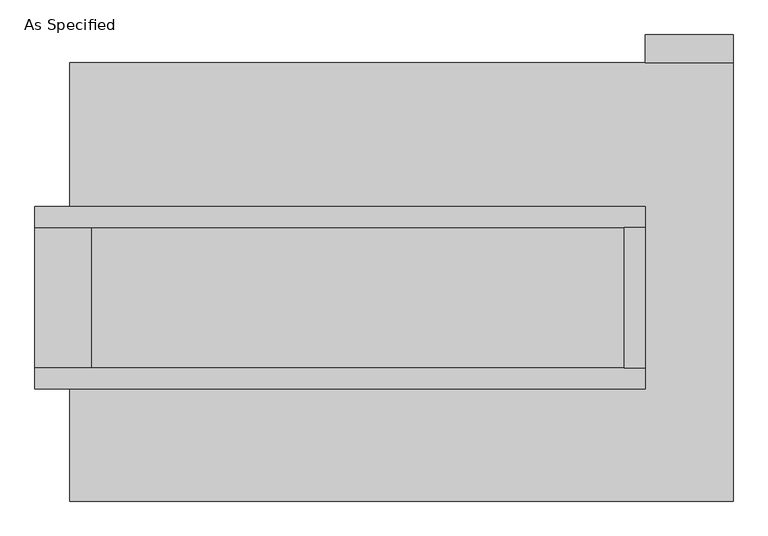
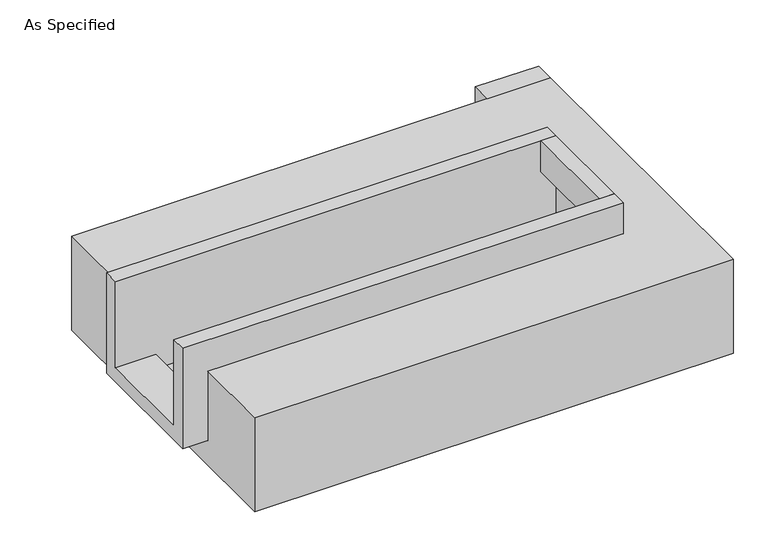
"""IFC4 building model written with IfcOpenShell, lengths in millimetres: proxy geometry, As Specified."""

from ifc_helpers import new_model, si_unit, frame, origin, place, context, project, spatial, polyline, outline, extrude, faceted_brep, source, transform, mapped, element, save


def as_specified_8753164b(model_context):
    return source(origin(), model_context, "Body", "SolidModel", [
        extrude(outline(polyline([(1276.35, 793.75), (958.85, 793.75), (958.85, 895.35), (1276.35, 895.35), (1276.35, 793.75)])), frame((0.0, 0.0, -523.9742188), z_axis=(0.0, 0.0, 1.0), x_axis=(1.0, 0.0, 0.0)), (0.0, 0.0, 1.0), 498.5742188),
        extrude(outline(polyline([(882.65, 196.85), (958.85, 196.85), (958.85, -311.15), (882.65, -311.15), (882.65, 196.85)])), frame((0.0, 0.0, -25.4), z_axis=(0.0, 0.0, 1.0), x_axis=(1.0, 0.0, 0.0)), (0.0, 0.0, 1.0), 165.1),
        faceted_brep([(958.85, 196.85, 139.7), (958.85, 196.85, -317.5), (958.85, -311.15, -317.5), (958.85, -311.15, 139.7), (958.85, -387.35, 139.7), (958.85, -387.35, -393.7), (958.85, 273.05, -393.7), (958.85, 273.05, 139.7), (-1250.95, 196.85, 139.7), (-1250.95, 273.05, 139.7), (-1250.95, 273.05, -393.7), (-1250.95, -387.35, -393.7), (-1250.95, -387.35, 139.7), (-1250.95, -311.15, 139.7), (-1250.95, -311.15, -317.5), (-1250.95, 196.85, -317.5), (-1047.75, 196.85, -393.7), (-1047.75, -311.15, -393.7), (882.65, -311.15, -393.7), (882.65, 196.85, -393.7), (882.65, -311.15, -317.5), (-1047.75, -311.15, -317.5), (882.65, 196.85, -317.5), (-1047.75, 196.85, -317.5)], [[[0, 1, 2, 3, 4, 5, 6, 7]], [[8, 9, 10, 11, 12, 13, 14, 15]], [[0, 7, 9, 8]], [[7, 6, 10, 9]], [[6, 5, 11, 10], [16, 17, 18, 19]], [[4, 3, 13, 12]], [[3, 2, 20, 18, 17, 21, 14, 13]], [[2, 1, 22, 20]], [[15, 14, 21, 23]], [[1, 0, 8, 15, 23, 16, 19, 22]], [[21, 17, 16, 23]], [[18, 20, 22, 19]], [[5, 4, 12, 11]]]),
        faceted_brep([(1276.35, 793.75, -523.9742188), (1276.35, -793.75, -523.9742188), (-1123.95, -793.75, -523.9742188), (-1123.95, 793.75, -523.9742188), (-1123.95, 793.75, -25.4), (-1123.95, 273.05, -25.4), (958.85, 273.05, -25.4), (958.85, -387.35, -25.4), (-1123.95, -387.35, -25.4), (-1123.95, -793.75, -25.4), (1276.35, -793.75, -25.4), (1276.35, 793.75, -25.4), (-1123.95, -387.35, -393.7), (-1123.95, 273.05, -393.7), (958.85, 273.05, -393.7), (958.85, -387.35, -393.7)], [[[0, 1, 2, 3]], [[4, 5, 6, 7, 8, 9, 10, 11]], [[0, 3, 4, 11]], [[4, 3, 2, 9, 8, 12, 13, 5]], [[2, 1, 10, 9]], [[14, 15, 7, 6]], [[13, 14, 6, 5]], [[15, 14, 13, 12]], [[15, 12, 8, 7]], [[1, 0, 11, 10]]]),
    ])


if __name__ == "__main__":
    model = new_model("IFC4")
    model_context = context("Model", 3, world=origin())
    ifc_project = project(units=[si_unit("LENGTHUNIT", "METRE", prefix="MILLI")], contexts=[model_context])
    site = spatial("IfcSite", under=ifc_project)
    building = spatial("IfcBuilding", under=site)
    placement = place(None, origin())
    as_specified_shape = as_specified_8753164b(model_context)
    element("IfcBuildingElementProxy", 1, Name="As Specified", ObjectType="As Specified", at=placement, inside=building, context=model_context, shape_type="MappedRepresentation", body=[
        mapped(as_specified_shape, transform((0.0, 0.0, 0.0), x_axis=(1.0, 0.0, 0.0), y_axis=(0.0, 1.0, 0.0), z_axis=(0.0, 0.0, 1.0))),
    ])
    save(model, "model.ifc")
